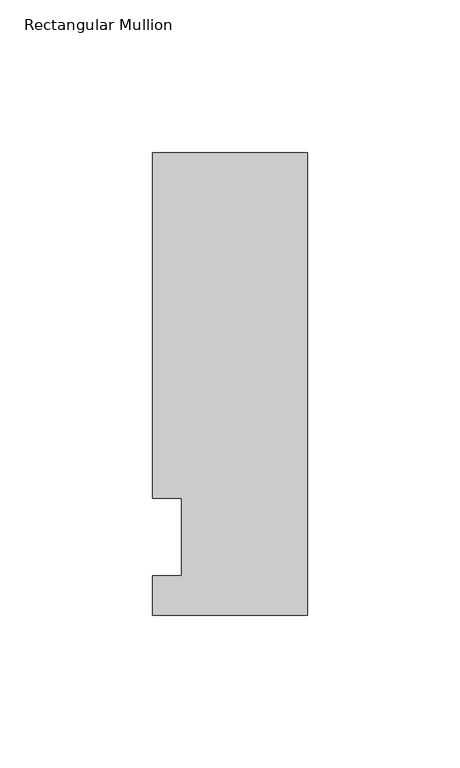
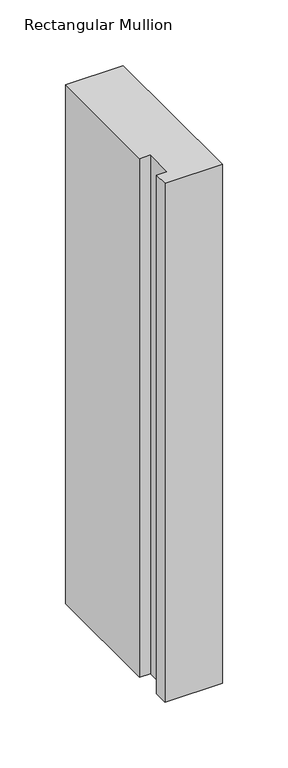
"""IFC4 building model written with IfcOpenShell, lengths in millimetres: member geometry, Rectangular Mullion."""

from ifc_helpers import new_model, si_unit, frame, origin, place, context, project, spatial, polyline, outline, extrude, source, transform, mapped, element, save


def rectangular_mullion_9b7895a8(model_context):
    return source(origin(), model_context, "Body", "SweptSolid", [
        extrude(outline(polyline([(-50.8, -25.5827379), (-50.8, -12.7), (-41.275, -12.7), (-41.275, 12.7), (-50.8, 12.7), (-50.8, 125.8533), (0.0, 125.8533), (0.0, -25.5827379), (-50.8, -25.5827379)])), frame((0.0, 0.0, -482.6), z_axis=(0.0, 0.0, 1.0), x_axis=(1.0, 0.0, 0.0)), (0.0, 0.0, 1.0), 482.6),
    ])


if __name__ == "__main__":
    model = new_model("IFC4")
    model_context = context("Model", 3, world=origin())
    ifc_project = project(units=[si_unit("LENGTHUNIT", "METRE", prefix="MILLI")], contexts=[model_context])
    site = spatial("IfcSite", under=ifc_project)
    building = spatial("IfcBuilding", under=site)
    placement = place(None, origin())
    rectangular_mullion_shape = rectangular_mullion_9b7895a8(model_context)
    element("IfcMember", 1, ObjectType="Rectangular Mullion", at=placement, inside=building, context=model_context, shape_type="MappedRepresentation", body=[
        mapped(rectangular_mullion_shape, transform((0.0, 0.0, 0.0), x_axis=(1.0, 0.0, 0.0), y_axis=(0.0, 1.0, 0.0), z_axis=(0.0, 0.0, 1.0))),
    ])
    save(model, "model.ifc")
